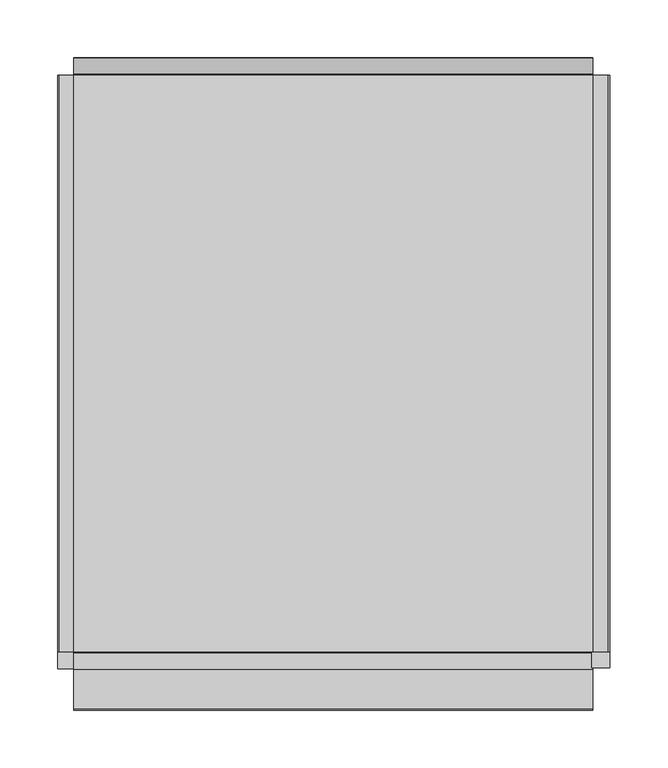
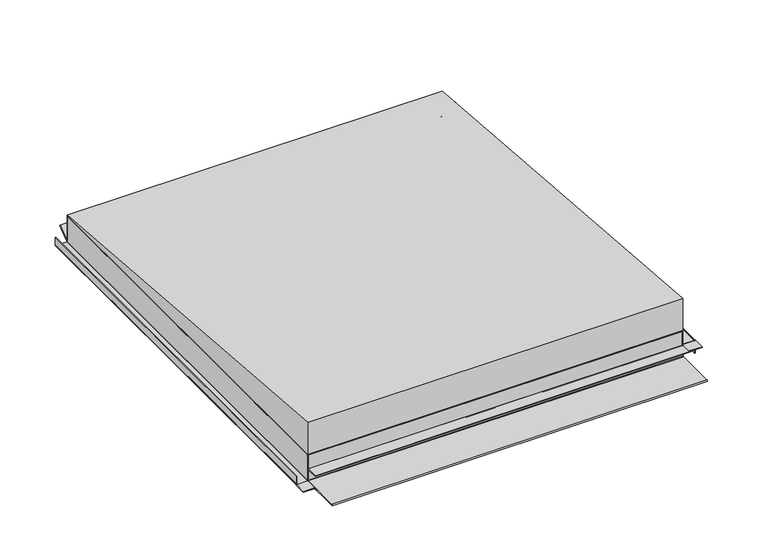
"""IFC4 building model written with IfcOpenShell, lengths in millimetres: proxy geometry."""

from ifc_helpers import new_model, si_unit, point, frame, frame_2d, origin, place, context, project, spatial, polyline, circle_curve, trimmed, segment, composite_curve, outline, extrude, faceted_brep, source, transform, mapped, element, save
from ifc_brep_helpers import plane_surface, cylinder_surface, revolved_surface, advanced_brep


def generic_models_6b4f61d6(model_context):
    return source(origin(), model_context, "Body", "SolidModel", [
        extrude(outline(composite_curve([segment(polyline([(0.33125, -237.7), (0.33125, -225.5)]), True, "CONTINUOUS"), segment(trimmed(circle_curve(frame_2d((1.63125, -225.5)), 1.3), [point((0.33125, -225.5))], [point((1.63125, -224.2))], False, "CARTESIAN"), True, "CONTINUOUS"), segment(polyline([(1.63125, -224.2), (33.33125, -224.2), (33.33125, -225.0), (1.63125, -225.0)]), True, "CONTINUOUS"), segment(trimmed(circle_curve(frame_2d((1.63125, -225.5)), 0.5), [point((1.63125, -225.0))], [point((1.13125, -225.5))], True, "CARTESIAN"), True, "CONTINUOUS"), segment(polyline([(1.13125, -225.5), (1.13125, -237.7)]), True, "CONTINUOUS"), segment(trimmed(circle_curve(frame_2d((1.63125, -237.7)), 0.5), [point((1.13125, -237.7))], [point((1.63125, -238.2))], True, "CARTESIAN"), True, "CONTINUOUS"), segment(polyline([(1.63125, -238.2), (11.33125, -238.2), (11.33125, -239.0), (1.63125, -239.0)]), True, "CONTINUOUS"), segment(trimmed(circle_curve(frame_2d((1.63125, -237.7)), 1.3), [point((1.63125, -239.0))], [point((0.33125, -237.7))], False, "CARTESIAN"), True, "CONTINUOUS")], self_intersect=False)), frame((0.0, -250.0, 0.0), z_axis=(0.0, 1.0, 0.0), x_axis=(0.0, 0.0, 1.0)), (0.0, 0.0, 1.0), 500.0),
        extrude(outline(polyline([(-239.0, -265.0), (-239.0, -250.0), (-224.2, -250.0), (-224.2, -265.0), (-239.0, -265.0)])), frame((0.0, 0.0, 0.33125), z_axis=(0.0, 0.0, 1.0), x_axis=(1.0, 0.0, 0.0)), (0.0, 0.0, 1.0), 0.8),
        extrude(outline(composite_curve([segment(polyline([(15.9, 225.5), (15.9, 238.7)]), True, "CONTINUOUS"), segment(trimmed(circle_curve(frame_2d((15.4, 238.7)), 0.5), [point((15.9, 238.7))], [point((15.4, 239.2))], True, "CARTESIAN"), True, "CONTINUOUS"), segment(polyline([(15.4, 239.2), (0.33125, 239.2), (0.33125, 240.0), (15.4, 240.0)]), True, "CONTINUOUS"), segment(trimmed(circle_curve(frame_2d((15.4, 238.7)), 1.3), [point((15.4, 240.0))], [point((16.7, 238.7))], False, "CARTESIAN"), True, "CONTINUOUS"), segment(polyline([(16.7, 238.7), (16.7, 225.5)]), True, "CONTINUOUS"), segment(trimmed(circle_curve(frame_2d((17.2, 225.5)), 0.5), [point((16.7, 225.5))], [point((17.2, 225.0))], True, "CARTESIAN"), True, "CONTINUOUS"), segment(polyline([(17.2, 225.0), (33.33125, 225.0), (33.33125, 224.2), (17.2, 224.2)]), True, "CONTINUOUS"), segment(trimmed(circle_curve(frame_2d((17.2, 225.5)), 1.3), [point((17.2, 224.2))], [point((15.9, 225.5))], False, "CARTESIAN"), True, "CONTINUOUS")], self_intersect=False)), frame((0.0, -250.0, 0.0), z_axis=(0.0, 1.0, 0.0), x_axis=(0.0, 0.0, 1.0)), (0.0, 0.0, 1.0), 500.0),
        extrude(outline(polyline([(240.0, -264.0), (224.2, -264.0), (224.2, -250.0), (240.0, -250.0), (240.0, -264.0)])), frame((0.0, 0.0, 15.9), z_axis=(0.0, 0.0, 1.0), x_axis=(1.0, 0.0, 0.0)), (0.0, 0.0, 1.0), 0.8),
        extrude(outline(composite_curve([segment(polyline([(-250.5, 0.0), (-300.15, 0.0)]), True, "CONTINUOUS"), segment(trimmed(circle_curve(frame_2d((-300.15, 0.85)), 0.85), [point((-300.15, 0.0))], [point((-300.15, 1.7))], False, "CARTESIAN"), True, "CONTINUOUS"), segment(polyline([(-300.15, 1.7), (-251.55, 1.7)]), True, "CONTINUOUS"), segment(trimmed(circle_curve(frame_2d((-251.55, 2.2)), 0.5), [point((-251.55, 1.7))], [point((-251.05, 2.2))], True, "CARTESIAN"), True, "CONTINUOUS"), segment(polyline([(-251.05, 2.2), (-251.05, 15.4)]), True, "CONTINUOUS"), segment(trimmed(circle_curve(frame_2d((-251.55, 15.4)), 0.5), [point((-251.05, 15.4))], [point((-251.55, 15.9))], True, "CARTESIAN"), True, "CONTINUOUS"), segment(polyline([(-251.55, 15.9), (-265.25, 15.9), (-265.25, 16.7), (-251.55, 16.7)]), True, "CONTINUOUS"), segment(trimmed(circle_curve(frame_2d((-251.55, 15.4)), 1.3), [point((-251.55, 16.7))], [point((-250.25, 15.4))], False, "CARTESIAN"), True, "CONTINUOUS"), segment(polyline([(-250.25, 15.4), (-250.25, 2.2)]), True, "CONTINUOUS"), segment(trimmed(circle_curve(frame_2d((-251.55, 2.2)), 1.3), [point((-250.25, 2.2))], [point((-251.55, 0.9))], False, "CARTESIAN"), True, "CONTINUOUS"), segment(polyline([(-251.55, 0.9), (-290.65, 0.9), (-250.5, 0.8)]), True, "CONTINUOUS"), segment(trimmed(circle_curve(frame_2d((-250.5, 1.3)), 0.5), [point((-250.5, 0.8))], [point((-250.0, 1.3))], True, "CARTESIAN"), True, "CONTINUOUS"), segment(polyline([(-250.0, 1.3), (-250.0, 33.0), (-249.2, 33.0), (-249.2, 1.3)]), True, "CONTINUOUS"), segment(trimmed(circle_curve(frame_2d((-250.5, 1.3)), 1.3), [point((-249.2, 1.3))], [point((-250.5, 0.0))], False, "CARTESIAN"), True, "CONTINUOUS")], self_intersect=False)), frame((-225.0, 0.0, 0.0), z_axis=(1.0, 0.0, 0.0), x_axis=(0.0, 1.0, 0.0)), (0.0, 0.0, 1.0), 450.0),
        advanced_brep(
        [(225.0, 250.0, 3.3), (225.0, 250.0, 33.0), (225.0, 249.2, 33.0), (225.0, 249.2, 3.3), (225.0, 251.4200663, 2.3815894), (225.0, 265.1302674, 12.712967), (225.0, 264.6488154, 13.3518754), (225.0, 250.8830222, 2.9786062), (-225.0, 250.0, 3.3), (-225.0, 250.8830222, 2.9786062), (-225.0, 264.6488154, 13.3518754), (-225.0, 265.1302674, 12.712967), (-225.0, 251.3644742, 2.3396978), (-225.0, 249.2, 3.3), (-225.0, 249.2, 33.0), (-225.0, 250.0, 33.0)],
        [
            (0, 1),
            (1, 2),
            (2, 3),
            (3, 4, circle_curve(frame((225.0, 250.5, 3.3), z_axis=(1.0, 0.0, 0.0), x_axis=(0.0, 1.0, 0.0)), 1.3)),
            (4, 5),
            (5, 6),
            (6, 7),
            (7, 0, circle_curve(frame((225.0, 250.5, 3.3), z_axis=(-1.0, 0.0, 0.0), x_axis=(0.0, 1.0, 0.0)), 0.5)),
            (8, 9, circle_curve(frame((-225.0, 250.5, 3.3), z_axis=(1.0, 0.0, 0.0), x_axis=(0.0, 1.0, 0.0)), 0.5)),
            (9, 10),
            (10, 11),
            (11, 12),
            (12, 13, circle_curve(frame((-225.0, 250.5, 3.3), z_axis=(-1.0, 0.0, 0.0), x_axis=(0.0, 1.0, 0.0)), 1.3)),
            (13, 14),
            (14, 15),
            (15, 8),
            (0, 8),
            (15, 1),
            (7, 9),
            (6, 10),
            (3, 13),
            (12, 4),
            (2, 14),
            (5, 11),
        ],
        [
            plane_surface(frame((225.0, 251.0, 3.3), z_axis=(1.0, 0.0, 0.0), x_axis=(0.0, 0.0, 1.0))),
            plane_surface(frame((-225.0, 251.0, 3.3), z_axis=(-1.0, 0.0, 0.0), x_axis=(0.0, 0.0, -1.0))),
            plane_surface(frame((225.0, 250.0, 33.0), z_axis=(0.0, 1.0, 0.0), x_axis=(-1.0, 0.0, 0.0))),
            revolved_surface(polyline([(-225.0, 251.0, 3.3), (225.0, 251.0, 3.3)]), (-225.0, 250.5, 3.3), (-1.0, 0.0, 0.0)),
            plane_surface(frame((225.0, 250.8830222, 2.9786062), z_axis=(0.0, -0.6018150231519699, 0.798635510047352), x_axis=(-1.0, 0.0, 0.0))),
            cylinder_surface(frame((-225.0, 250.5, 3.3), z_axis=(1.0, 0.0, 0.0), x_axis=(0.0, 1.0, 0.0)), 1.3),
            plane_surface(frame((225.0, 249.2, 3.3), z_axis=(0.0, -1.0, 0.0), x_axis=(-1.0, 0.0, 0.0))),
            plane_surface(frame((225.0, 249.2, 33.0), z_axis=(0.0, 0.0, 1.0), x_axis=(-1.0, 0.0, 0.0))),
            plane_surface(frame((225.0, 264.6488154, 13.3518754), z_axis=(0.0, 0.798635510047358, 0.6018150231519618), x_axis=(-1.0, 0.0, 0.0))),
            plane_surface(frame((225.0, 265.1302674, 12.712967), z_axis=(0.0, 0.6018150231519698, -0.798635510047352), x_axis=(-1.0, 0.0, 0.0))),
        ],
        [
            (0, [[1, 2, 3, 4, 5, 6, 7, 8]]),
            (1, [[9, 10, 11, 12, 13, 14, 15, 16]]),
            (2, [[17, -16, 18, -1]]),
            (3, [[19, -9, -17, -8]]),
            (4, [[20, -10, -19, -7]]),
            (5, [[21, -13, 22, -4]]),
            (6, [[23, -14, -21, -3]]),
            (7, [[-18, -15, -23, -2]]),
            (8, [[24, -11, -20, -6]]),
            (9, [[-22, -12, -24, -5]]),
        ],
    ),
        faceted_brep([(-225.0, -250.0, 34.0), (225.0, -250.0, 34.0), (225.0, 250.0, 34.0), (-225.0, 250.0, 34.0), (-225.0, -250.0, 33.0), (-225.0, -249.2, 33.0), (-225.0, 250.0, 33.0), (225.0, 250.0, 33.0), (225.0, -249.2, 33.0), (225.0, -250.0, 33.0)], [[[0, 1, 2, 3]], [[4, 5, 6, 7, 8, 9]], [[3, 6, 5, 4, 0]], [[2, 7, 6, 3]], [[1, 9, 8, 7, 2]], [[0, 4, 9, 1]]]),
        extrude(outline(polyline([(-250.0, 33.8), (-250.0, 75.0), (250.0, 35.0), (250.0, 33.8), (-250.0, 33.8)])), frame((-225.0, 0.0, 0.0), z_axis=(1.0, 0.0, 0.0), x_axis=(0.0, 1.0, 0.0)), (0.0, 0.0, 1.0), 450.0),
    ])


if __name__ == "__main__":
    model = new_model("IFC4")
    model_context = context("Model", 3, world=origin())
    ifc_project = project(units=[si_unit("LENGTHUNIT", "METRE", prefix="MILLI")], contexts=[model_context])
    site = spatial("IfcSite", under=ifc_project)
    building = spatial("IfcBuilding", under=site)
    placement = place(None, origin())
    generic_models_shape = generic_models_6b4f61d6(model_context)
    element("IfcBuildingElementProxy", 1, Name="Generic Models", at=placement, inside=building, context=model_context, shape_type="MappedRepresentation", body=[
        mapped(generic_models_shape, transform((0.0, 0.0, 0.0), x_axis=(1.0, 0.0, 0.0), y_axis=(0.0, 1.0, 0.0), z_axis=(0.0, 0.0, 1.0))),
    ])
    save(model, "model.ifc")
